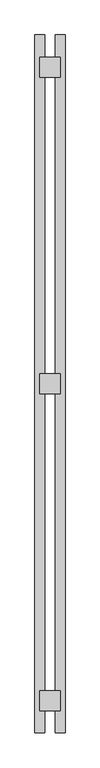
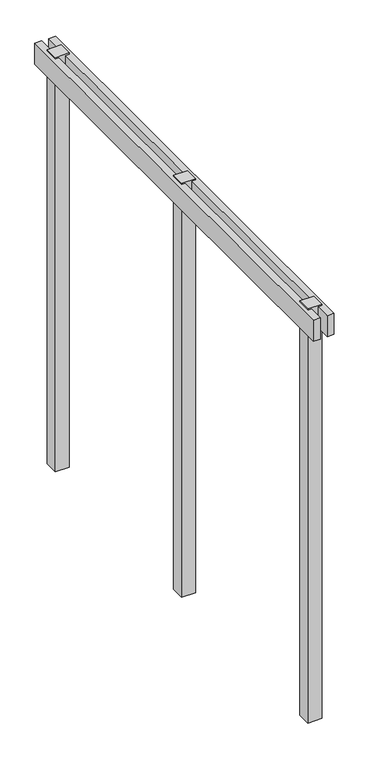
"""IFC4 building model written with IfcOpenShell, lengths in millimetres: railing geometry."""

from ifc_helpers import new_model, si_unit, frame, origin, place, context, project, spatial, polyline, outline, extrude, source, transform, mapped, element, save


def railing_56026233(model_context):
    return source(origin(), model_context, "Body", "SweptSolid", [
        extrude(outline(polyline([(-6416.0070653, 566.6832134), (-6371.0070653, 566.6832134), (-6371.0070653, -2557.5167866), (-6416.0070653, -2557.5167866), (-6416.0070653, 566.6832134)])), frame((0.0, 0.0, 899.2), z_axis=(0.0, 0.0, 1.0), x_axis=(1.0, 0.0, 0.0)), (0.0, 0.0, 1.0), 145.0),
        extrude(outline(polyline([(-6326.0070653, 566.6832134), (-6281.0070653, 566.6832134), (-6281.0070653, -2557.5167866), (-6326.0070653, -2557.5167866), (-6326.0070653, 566.6832134)])), frame((0.0, 0.0, 899.2), z_axis=(0.0, 0.0, 1.0), x_axis=(1.0, 0.0, 0.0)), (0.0, 0.0, 1.0), 145.0),
        extrude(outline(polyline([(-6393.5070653, -950.4167866), (-6303.5070653, -950.4167866), (-6303.5070653, -1040.4167866), (-6393.5070653, -1040.4167866), (-6393.5070653, -950.4167866)])), frame((0.0, 0.0, -1780.778125), z_axis=(0.0, 0.0, 1.0), x_axis=(1.0, 0.0, 0.0)), (0.0, 0.0, 1.0), 2835.0),
        extrude(outline(polyline([(-6393.5070653, -2367.5581929), (-6303.5070653, -2367.5581929), (-6303.5070653, -2457.5581929), (-6393.5070653, -2457.5581929), (-6393.5070653, -2367.5581929)])), frame((0.0, 0.0, -1780.778125), z_axis=(0.0, 0.0, 1.0), x_axis=(1.0, 0.0, 0.0)), (0.0, 0.0, 1.0), 2835.0),
        extrude(outline(polyline([(-6393.5070653, 466.7246196), (-6303.5070653, 466.7246196), (-6303.5070653, 376.7246196), (-6393.5070653, 376.7246196), (-6393.5070653, 466.7246196)])), frame((0.0, 0.0, -1780.778125), z_axis=(0.0, 0.0, 1.0), x_axis=(1.0, 0.0, 0.0)), (0.0, 0.0, 1.0), 2835.0),
    ])


if __name__ == "__main__":
    model = new_model("IFC4")
    model_context = context("Model", 3, world=origin())
    ifc_project = project(units=[si_unit("LENGTHUNIT", "METRE", prefix="MILLI")], contexts=[model_context])
    site = spatial("IfcSite", under=ifc_project)
    building = spatial("IfcBuilding", under=site)
    placement = place(None, origin())
    railing_shape = railing_56026233(model_context)
    element("IfcRailing", 1, at=placement, inside=building, context=model_context, shape_type="MappedRepresentation", body=[
        mapped(railing_shape, transform((0.0, 0.0, 0.0), x_axis=(1.0, 0.0, 0.0), y_axis=(0.0, 1.0, 0.0), z_axis=(0.0, 0.0, 1.0))),
    ])
    save(model, "model.ifc")
